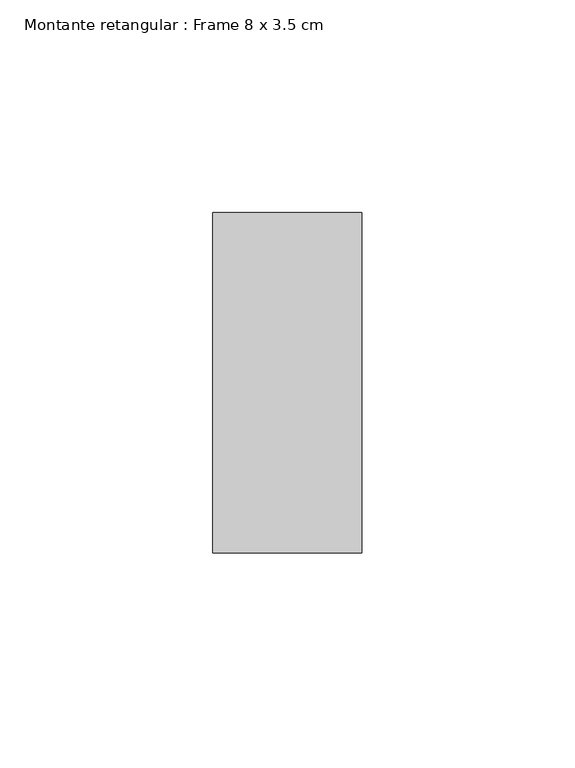
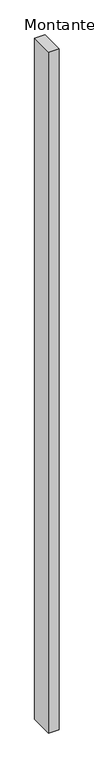
"""IFC4 building model written with IfcOpenShell, lengths in millimetres: member geometry, Montante retangular : Frame 8 x 3.5 cm."""

from ifc_helpers import new_model, si_unit, frame, origin, place, context, project, spatial, polyline, outline, extrude, source, transform, mapped, element, save


def montante_retangular_frame_8_x_3_5_cm_66e7d162(model_context):
    return source(origin(), model_context, "Body", "SweptSolid", [
        extrude(outline(polyline([(0.0, 40.0), (0.0, -40.0), (-35.0, -40.0), (-35.0, 40.0), (0.0, 40.0)])), frame((0.0, 0.0, -2400.0), z_axis=(0.0, 0.0, 1.0), x_axis=(1.0, 0.0, 0.0)), (0.0, 0.0, 1.0), 2400.0),
    ])


if __name__ == "__main__":
    model = new_model("IFC4")
    model_context = context("Model", 3, world=origin())
    ifc_project = project(units=[si_unit("LENGTHUNIT", "METRE", prefix="MILLI")], contexts=[model_context])
    site = spatial("IfcSite", under=ifc_project)
    building = spatial("IfcBuilding", under=site)
    placement = place(None, origin())
    montante_retangular_frame_8_x_3_5_cm_shape = montante_retangular_frame_8_x_3_5_cm_66e7d162(model_context)
    element("IfcMember", 1, ObjectType="Montante retangular : Frame 8 x 3.5 cm", at=placement, inside=building, context=model_context, shape_type="MappedRepresentation", body=[
        mapped(montante_retangular_frame_8_x_3_5_cm_shape, transform((0.0, 0.0, 0.0), x_axis=(1.0, 0.0, 0.0), y_axis=(0.0, 1.0, 0.0), z_axis=(0.0, 0.0, 1.0))),
    ])
    save(model, "model.ifc")
